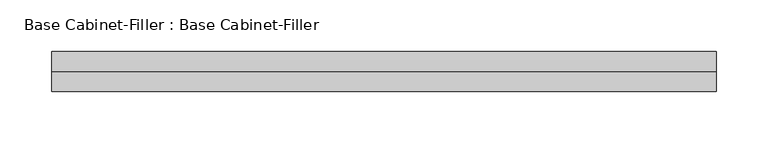
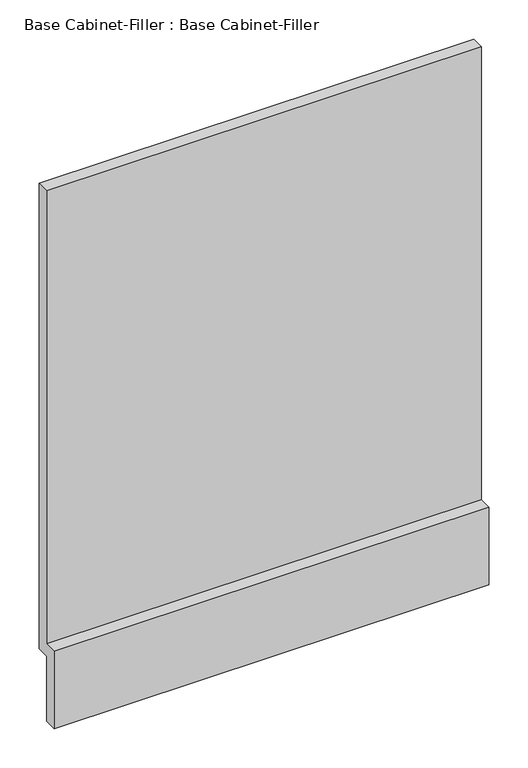
"""IFC4 building model written with IfcOpenShell, lengths in millimetres: furniture geometry, Base Cabinet-Filler : Base Cabinet-Filler."""

from ifc_helpers import new_model, si_unit, frame, origin, place, context, project, spatial, polyline, outline, extrude, source, transform, mapped, element, save


def base_cabinet_filler_base_cabinet_filler_b334be1f(model_context):
    return source(origin(), model_context, "Body", "SweptSolid", [
        extrude(outline(polyline([(590.55, 101.6), (571.5, 101.6), (571.5, 0.0), (552.45, 0.0), (552.45, 120.65), (571.5, 120.65), (571.5, 825.5), (590.55, 825.5), (590.55, 101.6)])), frame((-301.3544309, 0.0, 0.0), z_axis=(1.0, 0.0, 0.0), x_axis=(0.0, 1.0, 0.0)), (0.0, 0.0, 1.0), 640.1842715),
    ])


if __name__ == "__main__":
    model = new_model("IFC4")
    model_context = context("Model", 3, world=origin())
    ifc_project = project(units=[si_unit("LENGTHUNIT", "METRE", prefix="MILLI")], contexts=[model_context])
    site = spatial("IfcSite", under=ifc_project)
    building = spatial("IfcBuilding", under=site)
    placement = place(None, origin())
    base_cabinet_filler_base_cabinet_filler_shape = base_cabinet_filler_base_cabinet_filler_b334be1f(model_context)
    element("IfcFurniture", 1, ObjectType="Base Cabinet-Filler : Base Cabinet-Filler", at=placement, inside=building, context=model_context, shape_type="MappedRepresentation", body=[
        mapped(base_cabinet_filler_base_cabinet_filler_shape, transform((0.0, 0.0, 0.0), x_axis=(1.0, 0.0, 0.0), y_axis=(0.0, 1.0, 0.0), z_axis=(0.0, 0.0, 1.0))),
    ])
    save(model, "model.ifc")
